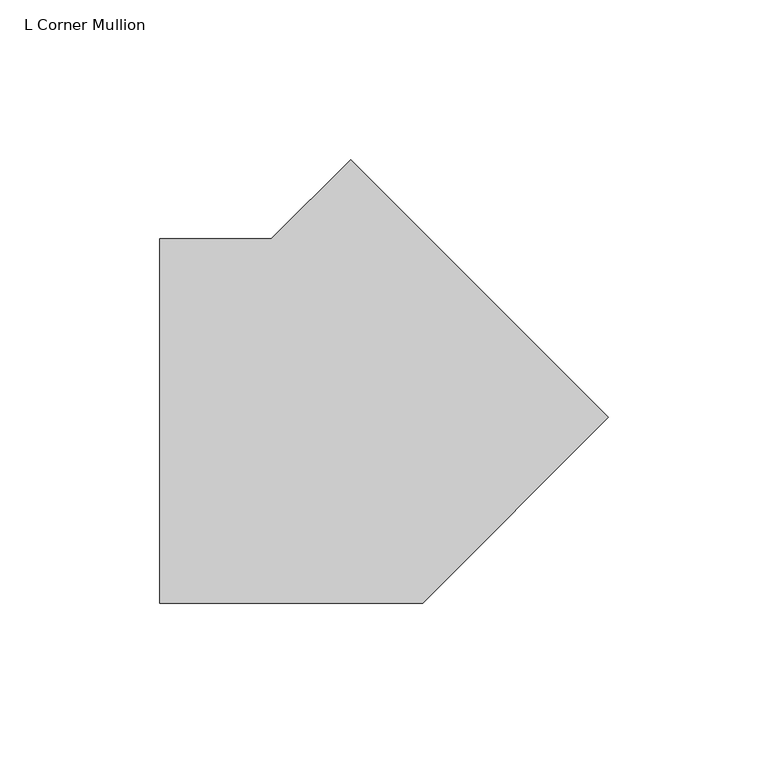
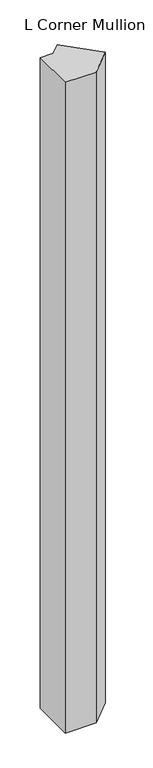
"""IFC4 building model written with IfcOpenShell, lengths in millimetres: member geometry, L Corner Mullion."""

import ifcopenshell
import ifcopenshell.guid

model = None  # the IFC model being written
_history = None  # IfcOwnerHistory: only IFC2X3 demands one
_inside = {}  # id of a spatial element -> (the spatial element, [elements in it])
_under = {}  # id of a project, library or spatial element -> (it, [spatial elements below it])
_declared = {}  # id of a project -> (the project, [libraries it declares])
_typed = {}  # id of a type object -> (the type object, [elements of that type])
_made_of = {}  # id of a material, layer set ... -> (it, [elements and type objects made of it])


def new_model(schema):
    """Start an empty IFC model of exactly this schema.

    Asked for "IFC4X3", IfcOpenShell would pick the latest addendum, in which some entities
    have other attributes; the version numbers below select the first issue.
    IFC2X3 requires an IfcOwnerHistory on every rooted entity: one is made here for all.
    """
    global model, _history
    if schema == "IFC4X3":
        model = ifcopenshell.file(schema_version=(4, 3, 0, 0))
    else:
        model = ifcopenshell.file(schema=schema)
    _inside.clear()
    _under.clear()
    _declared.clear()
    _typed.clear()
    _made_of.clear()
    _history = None
    if model.schema == "IFC2X3":
        org = make("IfcOrganization", Name="unknown")
        user = make(
            "IfcPersonAndOrganization",
            ThePerson=make("IfcPerson", FamilyName="unknown"),
            TheOrganization=org,
        )
        app = make(
            "IfcApplication",
            ApplicationDeveloper=org,
            Version="unknown",
            ApplicationFullName="unknown",
            ApplicationIdentifier="unknown",
        )
        _history = make(
            "IfcOwnerHistory",
            OwningUser=user,
            OwningApplication=app,
            ChangeAction="ADDED",
            CreationDate=0,
        )
    return model


def make(cls, **values):
    """One entity of the class cls with the attributes given. An attribute that is None is left unset."""
    return model.create_entity(
        cls, **{name: value for name, value in values.items() if value is not None}
    )


def rooted(cls, **values):
    """An entity with a GlobalId (a new one), such as an element, a storey or a relation."""
    return make(cls, GlobalId=ifcopenshell.guid.new(), OwnerHistory=_history, **values)


def si_unit(unit_type, name, prefix=None):
    """IfcSIUnit, for example si_unit("LENGTHUNIT", "METRE", prefix="MILLI")."""
    return make("IfcSIUnit", UnitType=unit_type, Prefix=prefix, Name=name)


def assignment(units):
    """IfcUnitAssignment: the units of a project."""
    return None if units is None else make("IfcUnitAssignment", Units=units)


def point(xyz):
    """IfcCartesianPoint."""
    return None if xyz is None else make("IfcCartesianPoint", Coordinates=xyz)


def direction(xyz):
    """IfcDirection."""
    return None if xyz is None else make("IfcDirection", DirectionRatios=xyz)


def frame(location, z_axis=None, x_axis=None):
    """IfcAxis2Placement3D, a coordinate frame: its origin and axes. An axis left out is left unset."""
    return make(
        "IfcAxis2Placement3D",
        Location=point(location),
        Axis=direction(z_axis),
        RefDirection=direction(x_axis),
    )


def origin():
    """The frame at (0, 0, 0) with its axes left unset."""
    return frame((0.0, 0.0, 0.0))


def place(relative_to, where):
    """IfcLocalPlacement: puts the frame where relative to a parent placement (None: the world)."""
    return make(
        "IfcLocalPlacement", PlacementRelTo=relative_to, RelativePlacement=where
    )


def context(
    kind, dimensions, precision=None, world=None, true_north=None, identifier=None
):
    """IfcGeometricRepresentationContext, for example the 3D "Model" context."""
    return make(
        "IfcGeometricRepresentationContext",
        ContextIdentifier=identifier,
        ContextType=kind,
        CoordinateSpaceDimension=dimensions,
        Precision=precision,
        WorldCoordinateSystem=world,
        TrueNorth=true_north,
    )


def project(units=None, contexts=None):
    """IfcProject with its units and contexts."""
    return rooted(
        "IfcProject",
        Name="project",
        RepresentationContexts=contexts,
        UnitsInContext=assignment(units),
    )


def spatial(cls, under=None, at=None, **own):
    """A site, building, storey or space (cls), placed at a placement, below another one or the project."""
    s = rooted(cls, ObjectPlacement=at, **own)
    if under is not None:
        _under.setdefault(under.id(), (under, []))[1].append(s)
    return s


def polyline(points):
    """IfcPolyline through the points."""
    return make("IfcPolyline", Points=[point(p) for p in points])


def outline(outer, holes=None, kind="AREA"):
    """IfcArbitraryClosedProfileDef: a profile drawn as a closed curve; with holes, ...WithVoids."""
    if holes is None:
        return make("IfcArbitraryClosedProfileDef", ProfileType=kind, OuterCurve=outer)
    return make(
        "IfcArbitraryProfileDefWithVoids",
        ProfileType=kind,
        OuterCurve=outer,
        InnerCurves=holes,
    )


def extrude(swept, where, along, depth):
    """IfcExtrudedAreaSolid: the profile swept, set in the frame where, extruded along a direction by depth."""
    return make(
        "IfcExtrudedAreaSolid",
        SweptArea=swept,
        Position=where,
        ExtrudedDirection=direction(along),
        Depth=depth,
    )


def shape(context_of_items, identifier, shape_type, items):
    """IfcShapeRepresentation: the items that make up one representation, for example the "Body"."""
    return make(
        "IfcShapeRepresentation",
        ContextOfItems=context_of_items,
        RepresentationIdentifier=identifier,
        RepresentationType=shape_type,
        Items=items,
    )


def source(mapping_origin, context_of_items, identifier, shape_type, items):
    """IfcRepresentationMap: a shape defined once, which mapped items show again and again."""
    return make(
        "IfcRepresentationMap",
        MappingOrigin=mapping_origin,
        MappedRepresentation=shape(context_of_items, identifier, shape_type, items),
    )


def transform(
    local_origin,
    x_axis=None,
    y_axis=None,
    z_axis=None,
    scale=None,
    scale2=None,
    scale3=None,
    uniform=True,
):
    """IfcCartesianTransformationOperator3D, or its non-uniform kind. x_axis, y_axis, z_axis: its Axis1, 2, 3."""
    if uniform:
        return make(
            "IfcCartesianTransformationOperator3D",
            Axis1=direction(x_axis),
            Axis2=direction(y_axis),
            LocalOrigin=point(local_origin),
            Scale=scale,
            Axis3=direction(z_axis),
        )
    return make(
        "IfcCartesianTransformationOperator3DnonUniform",
        Axis1=direction(x_axis),
        Axis2=direction(y_axis),
        LocalOrigin=point(local_origin),
        Scale=scale,
        Axis3=direction(z_axis),
        Scale2=scale2,
        Scale3=scale3,
    )


def mapped(mapping_source, mapping_target):
    """IfcMappedItem: shows the shape of a source again, moved by a transform."""
    return make(
        "IfcMappedItem", MappingSource=mapping_source, MappingTarget=mapping_target
    )


def made_of(thing, what):
    """Note that an element or type object is made of a material, layer set ...; save() writes the relation."""
    if what is not None:
        _made_of.setdefault(what.id(), (what, []))[1].append(thing)
    return thing


def element(
    cls,
    number,
    at=None,
    inside=None,
    cuts=None,
    type_object=None,
    material=None,
    context=None,
    identifier="Body",
    shape_type=None,
    held_by="IfcProductDefinitionShape",
    body=None,
    shapes=None,
    **own,
):
    """One element of the class cls, such as IfcWall. Its Tag is "e" and its number.

    at: its placement. inside: the storey or other place that contains it. cuts: it is an
    opening in that element (IfcRelVoidsElement). A single representation is given by context,
    identifier, shape_type and body (its items); several are given by shapes. held_by: the class
    of the entity that holds the representations. save() writes the other relations.
    """
    e = rooted(cls, Tag="e%d" % number, ObjectPlacement=at, **own)
    if body is not None:
        shapes = [shape(context, identifier, shape_type, body)]
    if shapes is not None:
        e.Representation = make(held_by, Representations=shapes)
    if inside is not None:
        _inside.setdefault(inside.id(), (inside, []))[1].append(e)
    if cuts is not None:
        rooted(
            "IfcRelVoidsElement", RelatingBuildingElement=cuts, RelatedOpeningElement=e
        )
    if type_object is not None:
        _typed.setdefault(type_object.id(), (type_object, []))[1].append(e)
    return made_of(e, material)


def aggregate(whole, parts):
    """IfcRelAggregates: a whole, such as a stair, and the parts it consists of."""
    return rooted("IfcRelAggregates", RelatingObject=whole, RelatedObjects=parts)


def save(model, path):
    """Write the relations noted so far, then the file.

    IfcRelAggregates (storeys below a building ...), IfcRelContainedInSpatialStructure (elements
    in a storey), IfcRelDefinesByType, IfcRelAssociatesMaterial and IfcRelDeclares: one each for
    every whole, place, type object, material and project.
    """
    for whole, parts in _under.values():
        aggregate(whole, parts)
    for where, things in _inside.values():
        rooted(
            "IfcRelContainedInSpatialStructure",
            RelatedElements=things,
            RelatingStructure=where,
        )
    for kind, things in _typed.values():
        rooted("IfcRelDefinesByType", RelatedObjects=things, RelatingType=kind)
    for what, things in _made_of.values():
        rooted("IfcRelAssociatesMaterial", RelatedObjects=things, RelatingMaterial=what)
    for by, libraries in _declared.values():
        rooted("IfcRelDeclares", RelatingContext=by, RelatedDefinitions=libraries)
    model.write(path)


def l_corner_mullion_ac451483(model_context):
    return source(origin(), model_context, "Body", "SweptSolid", [
        extrude(outline(polyline([(81.9448371, 1.122532), (23.6723051, -57.15), (-58.7375, -57.15), (-58.7375, 57.15), (-23.6723051, 57.15), (1.122532, 81.9448371), (81.9448371, 1.122532)])), frame((0.0, 0.0, -1828.8), z_axis=(0.0, 0.0, 1.0), x_axis=(1.0, 0.0, 0.0)), (0.0, 0.0, 1.0), 1828.8),
    ])


if __name__ == "__main__":
    model = new_model("IFC4")
    model_context = context("Model", 3, world=origin())
    ifc_project = project(units=[si_unit("LENGTHUNIT", "METRE", prefix="MILLI")], contexts=[model_context])
    site = spatial("IfcSite", under=ifc_project)
    building = spatial("IfcBuilding", under=site)
    placement = place(None, origin())
    l_corner_mullion_shape = l_corner_mullion_ac451483(model_context)
    element("IfcMember", 1, ObjectType="L Corner Mullion", at=placement, inside=building, context=model_context, shape_type="MappedRepresentation", body=[
        mapped(l_corner_mullion_shape, transform((0.0, 0.0, 0.0), x_axis=(1.0, 0.0, 0.0), y_axis=(0.0, 1.0, 0.0), z_axis=(0.0, 0.0, 1.0))),
    ])
    save(model, "model.ifc")
